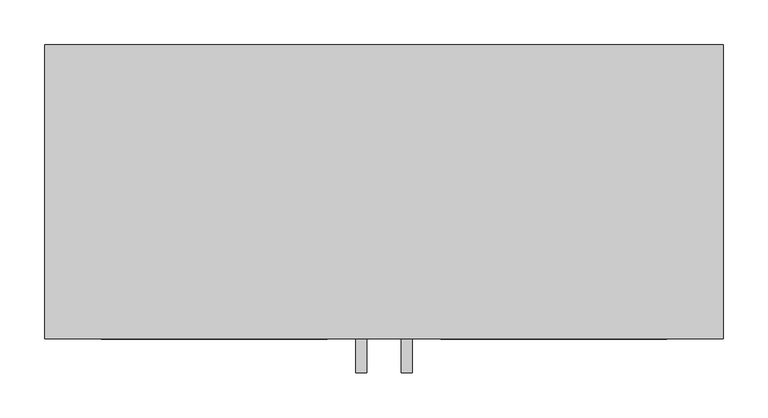
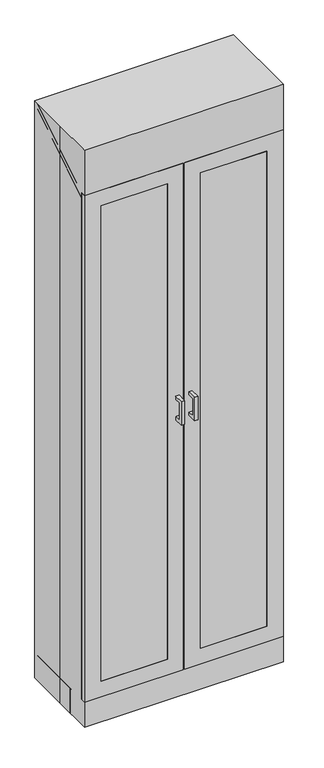
"""IFC4 building model written with IfcOpenShell, lengths in millimetres: proxy geometry."""

from ifc_helpers import new_model, si_unit, frame, origin, origin_with_axes, place, context, project, spatial, polyline, outline, extrude, faceted_brep, source, transform, mapped, element, save


def specialty_equipment_deb92bd7(model_context):
    return source(origin(), model_context, "Body", "SolidModel", [
        extrude(outline(polyline([(-63.5, -165.1), (-317.5, -165.1), (-317.5, -158.75), (-63.5, -158.75), (-63.5, -165.1)])), frame((0.0, 0.0, 165.1), z_axis=(0.0, 0.0, 1.0), x_axis=(1.0, 0.0, 0.0)), (0.0, 0.0, 1.0), 1924.05),
        extrude(outline(polyline([(2152.65, -381.0), (101.6, -381.0), (101.6, -3.175), (2152.65, -3.175), (2152.65, -381.0)]), holes=[polyline([(165.1, -317.5), (2089.15, -317.5), (2089.15, -63.5), (165.1, -63.5), (165.1, -317.5)])]), frame((0.0, -165.1, 0.0), z_axis=(0.0, 1.0, 0.0), x_axis=(0.0, 0.0, 1.0)), (0.0, 0.0, 1.0), 19.05),
        extrude(outline(polyline([(317.5, -165.1), (63.5, -165.1), (63.5, -158.75), (317.5, -158.75), (317.5, -165.1)])), frame((0.0, 0.0, 165.1), z_axis=(0.0, 0.0, 1.0), x_axis=(1.0, 0.0, 0.0)), (0.0, 0.0, 1.0), 1924.05),
        extrude(outline(polyline([(-203.1716405, 1219.2), (-165.0905468, 1219.2), (-165.0905468, 1206.5303499), (-190.5019905, 1206.5303499), (-190.5019905, 1136.6574627), (-165.0905468, 1136.6574627), (-165.0905468, 1123.9878126), (-203.1716405, 1123.9878126), (-203.1716405, 1219.2)])), frame((-31.6011719, 0.0, 0.0), z_axis=(1.0, 0.0, 0.0), x_axis=(0.0, 1.0, 0.0)), (0.0, 0.0, 1.0), 12.4023438),
        extrude(outline(polyline([(2152.65, 381.0), (2152.65, 3.175), (101.6, 3.175), (101.6, 381.0), (2152.65, 381.0)]), holes=[polyline([(2089.15, 317.5), (165.1, 317.5), (165.1, 63.5), (2089.15, 63.5), (2089.15, 317.5)])]), frame((0.0, -165.1, 0.0), z_axis=(0.0, 1.0, 0.0), x_axis=(0.0, 0.0, 1.0)), (0.0, 0.0, 1.0), 19.05),
        extrude(outline(polyline([(-203.1716405, 1219.2), (-165.0905468, 1219.2), (-165.0905468, 1206.5303499), (-190.5019905, 1206.5303499), (-190.5019905, 1136.6574627), (-165.0905468, 1136.6574627), (-165.0905468, 1123.9878126), (-203.1716405, 1123.9878126), (-203.1716405, 1219.2)])), frame((19.1988281, 0.0, 0.0), z_axis=(1.0, 0.0, 0.0), x_axis=(0.0, 1.0, 0.0)), (0.0, 0.0, 1.0), 12.4023438),
        extrude(outline(polyline([(361.95, -146.05), (-361.95, -146.05), (-361.95, 146.05), (361.95, 146.05), (361.95, -146.05)])), frame((0.0, 0.0, 1397.0), z_axis=(0.0, 0.0, 1.0), x_axis=(1.0, 0.0, 0.0)), (0.0, 0.0, 1.0), 25.4),
        extrude(outline(polyline([(361.95, -146.05), (-361.95, -146.05), (-361.95, 146.05), (361.95, 146.05), (361.95, -146.05)])), frame((0.0, 0.0, 1778.0), z_axis=(0.0, 0.0, 1.0), x_axis=(1.0, 0.0, 0.0)), (0.0, 0.0, 1.0), 25.4),
        extrude(outline(polyline([(361.95, -146.05), (-361.95, -146.05), (-361.95, 146.05), (361.95, 146.05), (361.95, -146.05)])), frame((0.0, 0.0, 1117.6), z_axis=(0.0, 0.0, 1.0), x_axis=(1.0, 0.0, 0.0)), (0.0, 0.0, 1.0), 25.4),
        extrude(outline(polyline([(361.95, -146.05), (-361.95, -146.05), (-361.95, 146.05), (361.95, 146.05), (361.95, -146.05)])), frame((0.0, 0.0, 787.4), z_axis=(0.0, 0.0, 1.0), x_axis=(1.0, 0.0, 0.0)), (0.0, 0.0, 1.0), 25.4),
        extrude(outline(polyline([(361.95, -146.05), (-361.95, -146.05), (-361.95, 146.05), (361.95, 146.05), (361.95, -146.05)])), frame((0.0, 0.0, 419.1), z_axis=(0.0, 0.0, 1.0), x_axis=(1.0, 0.0, 0.0)), (0.0, 0.0, 1.0), 25.4),
        faceted_brep([(-381.0, 165.1, 2336.8), (-381.0, 0.0, 2336.8), (-381.0, -165.1, 2336.8), (381.0, -165.1, 2336.8), (381.0, 165.1, 2336.8), (-381.0, 165.1, 0.0), (381.0, 165.1, 0.0), (381.0, -165.1, 0.0), (-381.0, -165.1, 0.0), (-381.0, 0.0, 0.0), (317.5, -165.1, 2089.15), (317.5, -165.1, 165.1), (63.5, -165.1, 165.1), (63.5, -165.1, 2089.15), (-317.5, -165.1, 165.1), (-317.5, -165.1, 2089.15), (-63.5, -165.1, 2089.15), (-63.5, -165.1, 165.1), (317.5, -146.05, 2089.15), (317.5, -146.05, 165.1), (63.5, -146.05, 2089.15), (63.5, -146.05, 165.1), (-317.5, -146.05, 2089.15), (-317.5, -146.05, 165.1), (-63.5, -146.05, 2089.15), (-63.5, -146.05, 165.1)], [[[0, 1, 2, 3, 4]], [[5, 6, 7, 8, 9]], [[1, 0, 5, 9]], [[2, 1, 9, 8]], [[3, 2, 8, 7], [10, 11, 12, 13], [14, 15, 16, 17]], [[4, 3, 7, 6]], [[0, 4, 6, 5]], [[18, 19, 11, 10]], [[20, 13, 12, 21]], [[18, 10, 13, 20]], [[11, 19, 21, 12]], [[19, 18, 20, 21]], [[22, 15, 14, 23]], [[24, 25, 17, 16]], [[15, 22, 24, 16]], [[23, 14, 17, 25]], [[22, 23, 25, 24]]]),
        extrude(outline(polyline([(381.0, 146.05), (-381.0, 146.05), (-381.0, 165.1), (381.0, 165.1), (381.0, 146.05)])), origin_with_axes(), (0.0, 0.0, 1.0), 2336.8),
        extrude(outline(polyline([(-361.95, 146.05), (-361.95, -69.85), (-381.0, -69.85), (-381.0, 146.05), (-361.95, 146.05)])), origin_with_axes(), (0.0, 0.0, 1.0), 101.6),
        extrude(outline(polyline([(146.05, 2315.5014525), (146.05, 101.6), (-146.05, 101.6), (-146.05, 2131.3514525), (146.05, 2315.5014525)])), frame((-381.0, 0.0, 0.0), z_axis=(1.0, 0.0, 0.0), x_axis=(0.0, 1.0, 0.0)), (0.0, 0.0, 1.0), 19.05),
        extrude(outline(polyline([(381.0, 146.05), (381.0, -69.85), (361.95, -69.85), (361.95, 146.05), (381.0, 146.05)])), origin_with_axes(), (0.0, 0.0, 1.0), 101.6),
        extrude(outline(polyline([(146.05, 2315.5014525), (146.05, 101.6), (-146.05, 101.6), (-146.05, 2131.3514525), (146.05, 2315.5014525)])), frame((361.95, 0.0, 0.0), z_axis=(1.0, 0.0, 0.0), x_axis=(0.0, 1.0, 0.0)), (0.0, 0.0, 1.0), 19.05),
        extrude(outline(polyline([(-146.05, 2152.65), (146.05, 2336.8), (146.05, 2315.5014525), (-146.05, 2131.3514525), (-146.05, 2152.65)])), frame((-381.0, 0.0, 0.0), z_axis=(1.0, 0.0, 0.0), x_axis=(0.0, 1.0, 0.0)), (0.0, 0.0, 1.0), 762.0),
        extrude(outline(polyline([(361.95, -146.05), (-361.95, -146.05), (-361.95, 146.05), (361.95, 146.05), (361.95, -146.05)])), frame((0.0, 0.0, 101.6), z_axis=(0.0, 0.0, 1.0), x_axis=(1.0, 0.0, 0.0)), (0.0, 0.0, 1.0), 25.4),
        extrude(outline(polyline([(381.0, -69.85), (381.0, -88.9), (-381.0, -88.9), (-381.0, -69.85), (381.0, -69.85)])), origin_with_axes(), (0.0, 0.0, 1.0), 101.6),
    ])


if __name__ == "__main__":
    model = new_model("IFC4")
    model_context = context("Model", 3, world=origin())
    ifc_project = project(units=[si_unit("LENGTHUNIT", "METRE", prefix="MILLI")], contexts=[model_context])
    site = spatial("IfcSite", under=ifc_project)
    building = spatial("IfcBuilding", under=site)
    placement = place(None, origin())
    specialty_equipment_shape = specialty_equipment_deb92bd7(model_context)
    element("IfcBuildingElementProxy", 1, Name="Specialty Equipment", at=placement, inside=building, context=model_context, shape_type="MappedRepresentation", body=[
        mapped(specialty_equipment_shape, transform((0.0, 0.0, 0.0), x_axis=(1.0, 0.0, 0.0), y_axis=(0.0, 1.0, 0.0), z_axis=(0.0, 0.0, 1.0))),
    ])
    save(model, "model.ifc")
